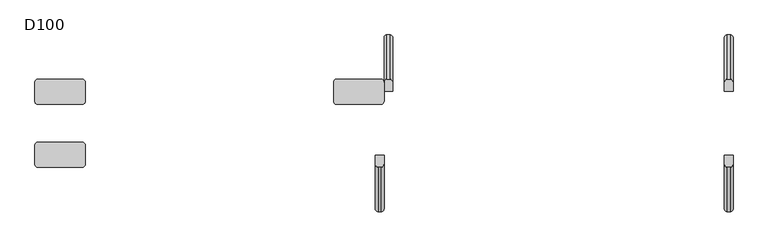
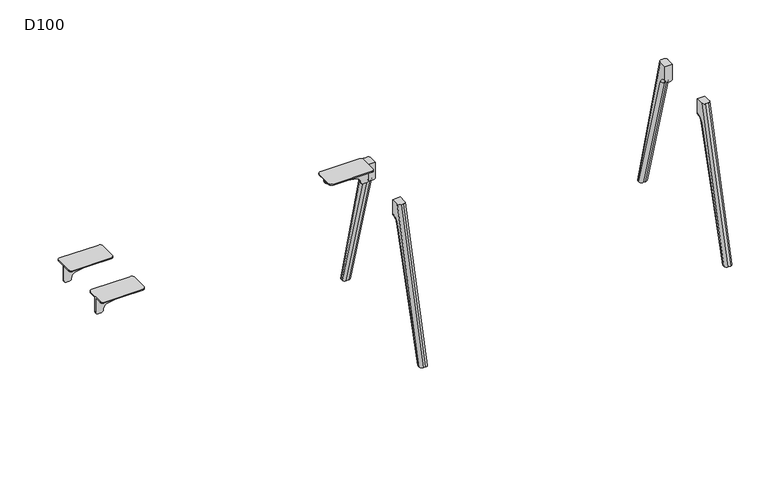
"""IFC4 building model written with IfcOpenShell, lengths in millimetres: furniture geometry, D100."""

from ifc_helpers import new_model, si_unit, point, frame, origin, place, context, project, spatial, polyline, circle_curve, ellipse_curve, trimmed, source, transform, mapped, element, save
from ifc_brep_helpers import plane_surface, cylinder_surface, revolved_surface, advanced_brep


def d100_6f4530dd(model_context):
    return source(origin(), model_context, "Body", "AdvancedBrep", [
        advanced_brep(
        [(-69.7259826, 165.2234902, 821.5334099), (-243.5086325, 165.2234902, 852.5006338), (-260.0, 165.2234902, 872.1904661), (-260.0, 165.2234902, 880.0006338), (0.0, 165.2234902, 880.0006338), (0.0, 165.2234902, 791.0006338), (-15.0, 165.2234902, 776.0006338), (-30.0, 165.2234902, 776.0006338), (-44.9963104, 165.2234902, 791.3333097), (-69.7259826, 159.2234902, 821.5334099), (-44.9963104, 159.2234902, 791.3333097), (-30.0, 159.2234902, 776.0006338), (-15.0, 159.2234902, 776.0006338), (0.0, 159.2234902, 791.0006338), (0.0, 159.2234902, 880.0006338), (-260.0, 159.2234902, 880.0006338), (-260.0, 159.2234902, 872.1904661), (-243.5086325, 159.2234902, 852.5006338), (0.0, 113.2234902, 886.0006338), (0.0, 113.2234902, 880.0006338), (0.0, 211.2234902, 880.0006338), (0.0, 211.2234902, 886.0006338), (-16.0, 227.2234902, 886.0006338), (-244.0, 227.2234902, 886.0006338), (-260.0, 211.2234902, 886.0006338), (-260.0, 113.2234902, 886.0006338), (-244.0, 97.2234902, 886.0006338), (-16.0, 97.2234902, 886.0006338), (-260.0, 211.2234902, 880.0006338), (-260.0, 113.2234902, 880.0006338), (-16.0, 97.2234902, 880.0006338), (-244.0, 97.2234902, 880.0006338), (-244.0, 227.2234902, 880.0006338), (-16.0, 227.2234902, 880.0006338)],
        [
            (0, 1),
            (1, 2, circle_curve(frame((-240.0, 165.2234902, 872.1904661), z_axis=(0.0, 1.0, 0.0), x_axis=(1.0, 0.0, 0.0)), 20.0)),
            (2, 3),
            (3, 4),
            (4, 5),
            (5, 6, circle_curve(frame((-15.0, 165.2234902, 791.0006338), z_axis=(0.0, 1.0, 0.0), x_axis=(1.0, 0.0, 0.0)), 15.0)),
            (6, 7),
            (7, 8, circle_curve(frame((-30.0, 165.2234902, 791.0006338), z_axis=(0.0, 1.0, 0.0), x_axis=(1.0, 0.0, 0.0)), 15.0)),
            (8, 0, circle_curve(frame((-74.9889313, 165.2234902, 791.9986614), z_axis=(0.0, -1.0, 0.0), x_axis=(1.0, 0.0, 0.0)), 30.0)),
            (9, 10, circle_curve(frame((-74.9889313, 159.2234902, 791.9986614), z_axis=(0.0, 1.0, 0.0), x_axis=(1.0, 0.0, 0.0)), 30.0)),
            (10, 11, circle_curve(frame((-30.0, 159.2234902, 791.0006338), z_axis=(0.0, -1.0, 0.0), x_axis=(1.0, 0.0, 0.0)), 15.0)),
            (11, 12),
            (12, 13, circle_curve(frame((-15.0, 159.2234902, 791.0006338), z_axis=(0.0, -1.0, 0.0), x_axis=(1.0, 0.0, 0.0)), 15.0)),
            (13, 14),
            (14, 15),
            (15, 16),
            (16, 17, circle_curve(frame((-240.0, 159.2234902, 872.1904661), z_axis=(0.0, -1.0, 0.0), x_axis=(1.0, 0.0, 0.0)), 20.0)),
            (17, 9),
            (8, 10),
            (9, 0),
            (18, 19),
            (19, 14),
            (13, 5),
            (4, 20),
            (20, 21),
            (21, 18),
            (21, 22, circle_curve(frame((-16.0, 211.2234902, 886.0006338), z_axis=(0.0, 0.0, 1.0), x_axis=(-1.0, 0.0, 0.0)), 16.0)),
            (22, 23),
            (23, 24, circle_curve(frame((-244.0, 211.2234902, 886.0006338), z_axis=(0.0, 0.0, 1.0), x_axis=(-1.0, 0.0, 0.0)), 16.0)),
            (24, 25),
            (25, 26, circle_curve(frame((-244.0, 113.2234902, 886.0006338), z_axis=(0.0, 0.0, 1.0), x_axis=(-1.0, 0.0, 0.0)), 16.0)),
            (26, 27),
            (27, 18, circle_curve(frame((-16.0, 113.2234902, 886.0006338), z_axis=(0.0, 0.0, 1.0), x_axis=(-1.0, 0.0, 0.0)), 16.0)),
            (24, 28),
            (28, 3),
            (2, 16),
            (15, 29),
            (29, 25),
            (1, 17),
            (7, 11),
            (6, 12),
            (30, 31),
            (31, 29, circle_curve(frame((-244.0, 113.2234902, 880.0006338), z_axis=(0.0, 0.0, -1.0), x_axis=(-1.0, 0.0, 0.0)), 16.0)),
            (19, 30, circle_curve(frame((-16.0, 113.2234902, 880.0006338), z_axis=(0.0, 0.0, -1.0), x_axis=(-1.0, 0.0, 0.0)), 16.0)),
            (28, 32, circle_curve(frame((-244.0, 211.2234902, 880.0006338), z_axis=(0.0, 0.0, -1.0), x_axis=(-1.0, 0.0, 0.0)), 16.0)),
            (32, 33),
            (33, 20, circle_curve(frame((-16.0, 211.2234902, 880.0006338), z_axis=(0.0, 0.0, -1.0), x_axis=(-1.0, 0.0, 0.0)), 16.0)),
            (27, 30),
            (33, 22),
            (32, 23),
            (31, 26),
        ],
        [
            plane_surface(frame((-243.5086325, 165.2234902, 852.5006338), z_axis=(0.0, 1.0000000000000002, 0.0), x_axis=(-0.9844916178685641, 0.0, 0.175431622994651))),
            plane_surface(frame((-243.5086325, 159.2234902, 852.5006338), z_axis=(0.0, -1.0000000000000002, 0.0), x_axis=(0.9844916178685641, 0.0, -0.175431622994651))),
            revolved_surface(polyline([(-44.988931300000004, 159.2234902, 791.9986614), (-44.988931300000004, 165.2234902, 791.9986614)]), (-74.9889313, 159.2234902, 791.9986614), (0.0, -1.0, 0.0)),
            plane_surface(frame((0.0, 165.2234902, 886.0006338), z_axis=(1.0, 0.0, 0.0), x_axis=(0.0, -1.0, 0.0))),
            plane_surface(frame((-260.0, 165.2234902, 886.0006338), z_axis=(0.0, 0.0, 1.0), x_axis=(0.0, -1.0, 0.0))),
            plane_surface(frame((-260.0, 165.2234902, 872.1904661), z_axis=(-1.0, 0.0, 0.0), x_axis=(0.0, -1.0, 0.0))),
            cylinder_surface(frame((-240.0, 159.2234902, 872.1904661), z_axis=(0.0, 1.0, 0.0), x_axis=(1.0, 0.0, 0.0)), 20.0),
            plane_surface(frame((-69.7259826, 165.2234902, 821.5334099), z_axis=(-0.175431622994651, 0.0, -0.9844916178685641), x_axis=(0.0, -1.0, 0.0))),
            cylinder_surface(frame((-30.0, 159.2234902, 791.0006338), z_axis=(0.0, 1.0, 0.0), x_axis=(1.0, 0.0, 0.0)), 15.0),
            plane_surface(frame((-15.0, 165.2234902, 776.0006338), z_axis=(0.0, 0.0, -1.0), x_axis=(0.0, -1.0, 0.0))),
            cylinder_surface(frame((-15.0, 159.2234902, 791.0006338), z_axis=(0.0, 1.0, 0.0), x_axis=(1.0, 0.0, 0.0)), 15.0),
            plane_surface(frame((-32.0, 113.2234902, 880.0006338), z_axis=(0.0, 0.0, -1.0), x_axis=(0.0, 1.0, 0.0))),
            cylinder_surface(frame((-16.0, 113.2234902, 880.0006338), z_axis=(0.0, 0.0, 1.0), x_axis=(-1.0, 0.0, 0.0)), 16.0),
            cylinder_surface(frame((-16.0, 211.2234902, 880.0006338), z_axis=(0.0, 0.0, 1.0), x_axis=(-1.0, 0.0, 0.0)), 16.0),
            plane_surface(frame((-16.0, 227.2234902, 886.0006338), z_axis=(0.0, 1.0, 0.0), x_axis=(0.0, 0.0, -1.0))),
            cylinder_surface(frame((-244.0, 211.2234902, 880.0006338), z_axis=(0.0, 0.0, 1.0), x_axis=(-1.0, 0.0, 0.0)), 16.0),
            cylinder_surface(frame((-244.0, 113.2234902, 880.0006338), z_axis=(0.0, 0.0, 1.0), x_axis=(-1.0, 0.0, 0.0)), 16.0),
            plane_surface(frame((-244.0, 97.2234902, 886.0006338), z_axis=(0.0, -1.0, 0.0), x_axis=(0.0, 0.0, -1.0))),
        ],
        [
            (0, [[1, 2, 3, 4, 5, 6, 7, 8, 9]]),
            (1, [[10, 11, 12, 13, 14, 15, 16, 17, 18]]),
            (2, [[-9, 19, -10, 20]]),
            (3, [[21, 22, -14, 23, -5, 24, 25, 26]]),
            (4, [[-26, 27, 28, 29, 30, 31, 32, 33]]),
            (5, [[-30, 34, 35, -3, 36, -16, 37, 38]]),
            (6, [[-2, 39, -17, -36]]),
            (7, [[-1, -20, -18, -39]]),
            (8, [[-8, 40, -11, -19]]),
            (9, [[-7, 41, -12, -40]]),
            (10, [[-6, -23, -13, -41]]),
            (11, [[42, 43, -37, -15, -22, 44]]),
            (11, [[45, 46, 47, -24, -4, -35]]),
            (12, [[-33, 48, -44, -21]]),
            (13, [[-27, -25, -47, 49]]),
            (14, [[-28, -49, -46, 50]]),
            (15, [[-29, -50, -45, -34]]),
            (16, [[-31, -38, -43, 51]]),
            (17, [[-32, -51, -42, -48]]),
        ],
    ),
        advanced_brep(
        [(-1729.2740174, -165.2234902, 821.5334099), (-1555.4913675, -165.2234902, 852.5006338), (-1539.0, -165.2234902, 872.1904661), (-1539.0, -165.2234902, 880.0006338), (-1799.0, -165.2234902, 880.0006338), (-1799.0, -165.2234902, 791.0006338), (-1784.0, -165.2234902, 776.0006338), (-1769.0, -165.2234902, 776.0006338), (-1754.0036896, -165.2234902, 791.3333097), (-1729.2740174, -159.2234902, 821.5334099), (-1754.0036896, -159.2234902, 791.3333097), (-1769.0, -159.2234902, 776.0006338), (-1784.0, -159.2234902, 776.0006338), (-1799.0, -159.2234902, 791.0006338), (-1799.0, -159.2234902, 880.0006338), (-1539.0, -159.2234902, 880.0006338), (-1539.0, -159.2234902, 872.1904661), (-1555.4913675, -159.2234902, 852.5006338), (-1799.0, -113.2234902, 886.0006338), (-1799.0, -113.2234902, 880.0006338), (-1799.0, -211.2234902, 880.0006338), (-1799.0, -211.2234902, 886.0006338), (-1783.0, -227.2234902, 886.0006338), (-1555.0, -227.2234902, 886.0006338), (-1539.0, -211.2234902, 886.0006338), (-1539.0, -113.2234902, 886.0006338), (-1555.0, -97.2234902, 886.0006338), (-1783.0, -97.2234902, 886.0006338), (-1539.0, -211.2234902, 880.0006338), (-1539.0, -113.2234902, 880.0006338), (-1783.0, -97.2234902, 880.0006338), (-1555.0, -97.2234902, 880.0006338), (-1555.0, -227.2234902, 880.0006338), (-1783.0, -227.2234902, 880.0006338)],
        [
            (0, 1),
            (1, 2, circle_curve(frame((-1559.0, -165.2234902, 872.1904661), z_axis=(0.0, -1.0, 0.0), x_axis=(-1.0, 0.0, 0.0)), 20.0)),
            (2, 3),
            (3, 4),
            (4, 5),
            (5, 6, circle_curve(frame((-1784.0, -165.2234902, 791.0006338), z_axis=(0.0, -1.0, 0.0), x_axis=(-1.0, 0.0, 0.0)), 15.0)),
            (6, 7),
            (7, 8, circle_curve(frame((-1769.0, -165.2234902, 791.0006338), z_axis=(0.0, -1.0, 0.0), x_axis=(-1.0, 0.0, 0.0)), 15.0)),
            (8, 0, circle_curve(frame((-1724.0110687, -165.2234902, 791.9986614), z_axis=(0.0, 1.0, 0.0), x_axis=(-1.0, 0.0, 0.0)), 30.0)),
            (9, 10, circle_curve(frame((-1724.0110687, -159.2234902, 791.9986614), z_axis=(0.0, -1.0, 0.0), x_axis=(-1.0, 0.0, 0.0)), 30.0)),
            (10, 11, circle_curve(frame((-1769.0, -159.2234902, 791.0006338), z_axis=(0.0, 1.0, 0.0), x_axis=(-1.0, 0.0, 0.0)), 15.0)),
            (11, 12),
            (12, 13, circle_curve(frame((-1784.0, -159.2234902, 791.0006338), z_axis=(0.0, 1.0, 0.0), x_axis=(-1.0, 0.0, 0.0)), 15.0)),
            (13, 14),
            (14, 15),
            (15, 16),
            (16, 17, circle_curve(frame((-1559.0, -159.2234902, 872.1904661), z_axis=(0.0, 1.0, 0.0), x_axis=(-1.0, 0.0, 0.0)), 20.0)),
            (17, 9),
            (8, 10),
            (9, 0),
            (18, 19),
            (19, 14),
            (13, 5),
            (4, 20),
            (20, 21),
            (21, 18),
            (21, 22, circle_curve(frame((-1783.0, -211.2234902, 886.0006338), z_axis=(0.0, 0.0, 1.0), x_axis=(1.0, 0.0, 0.0)), 16.0)),
            (22, 23),
            (23, 24, circle_curve(frame((-1555.0, -211.2234902, 886.0006338), z_axis=(0.0, 0.0, 1.0), x_axis=(1.0, 0.0, 0.0)), 16.0)),
            (24, 25),
            (25, 26, circle_curve(frame((-1555.0, -113.2234902, 886.0006338), z_axis=(0.0, 0.0, 1.0), x_axis=(1.0, 0.0, 0.0)), 16.0)),
            (26, 27),
            (27, 18, circle_curve(frame((-1783.0, -113.2234902, 886.0006338), z_axis=(0.0, 0.0, 1.0), x_axis=(1.0, 0.0, 0.0)), 16.0)),
            (24, 28),
            (28, 3),
            (2, 16),
            (15, 29),
            (29, 25),
            (1, 17),
            (7, 11),
            (6, 12),
            (30, 31),
            (31, 29, circle_curve(frame((-1555.0, -113.2234902, 880.0006338), z_axis=(0.0, 0.0, -1.0), x_axis=(1.0, 0.0, 0.0)), 16.0)),
            (19, 30, circle_curve(frame((-1783.0, -113.2234902, 880.0006338), z_axis=(0.0, 0.0, -1.0), x_axis=(1.0, 0.0, 0.0)), 16.0)),
            (28, 32, circle_curve(frame((-1555.0, -211.2234902, 880.0006338), z_axis=(0.0, 0.0, -1.0), x_axis=(1.0, 0.0, 0.0)), 16.0)),
            (32, 33),
            (33, 20, circle_curve(frame((-1783.0, -211.2234902, 880.0006338), z_axis=(0.0, 0.0, -1.0), x_axis=(1.0, 0.0, 0.0)), 16.0)),
            (27, 30),
            (33, 22),
            (32, 23),
            (31, 26),
        ],
        [
            plane_surface(frame((-1555.4913675, -165.2234902, 852.5006338), z_axis=(0.0, -1.0, 0.0), x_axis=(0.9844916178685639, 0.0, 0.17543162299465165))),
            plane_surface(frame((-1555.4913675, -159.2234902, 852.5006338), z_axis=(0.0, 1.0, 0.0), x_axis=(-0.9844916178685639, 0.0, -0.17543162299465165))),
            revolved_surface(polyline([(-1754.0110687, -159.2234902, 791.9986614), (-1754.0110687, -165.2234902, 791.9986614)]), (-1724.0110687, -159.2234902, 791.9986614), (0.0, 1.0, 0.0)),
            plane_surface(frame((-1799.0, -165.2234902, 886.0006338), z_axis=(-1.0, 0.0, 0.0), x_axis=(0.0, 1.0, 0.0))),
            plane_surface(frame((-1539.0, -165.2234902, 886.0006338), z_axis=(0.0, 0.0, 1.0), x_axis=(0.0, 1.0, 0.0))),
            plane_surface(frame((-1539.0, -165.2234902, 872.1904661), z_axis=(1.0, 0.0, 0.0), x_axis=(0.0, 1.0, 0.0))),
            cylinder_surface(frame((-1559.0, -159.2234902, 872.1904661), z_axis=(0.0, -1.0, 0.0), x_axis=(-1.0, 0.0, 0.0)), 20.0),
            plane_surface(frame((-1729.2740174, -165.2234902, 821.5334099), z_axis=(0.17543162299465165, 0.0, -0.9844916178685639), x_axis=(0.0, 1.0, 0.0))),
            cylinder_surface(frame((-1769.0, -159.2234902, 791.0006338), z_axis=(0.0, -1.0, 0.0), x_axis=(-1.0, 0.0, 0.0)), 15.0),
            plane_surface(frame((-1784.0, -165.2234902, 776.0006338), z_axis=(0.0, 0.0, -1.0), x_axis=(0.0, 1.0, 0.0))),
            cylinder_surface(frame((-1784.0, -159.2234902, 791.0006338), z_axis=(0.0, -1.0, 0.0), x_axis=(-1.0, 0.0, 0.0)), 15.0),
            plane_surface(frame((-1767.0, -113.2234902, 880.0006338), z_axis=(0.0, 0.0, -1.0), x_axis=(0.0, -1.0, 0.0))),
            cylinder_surface(frame((-1783.0, -113.2234902, 880.0006338), z_axis=(0.0, 0.0, 1.0), x_axis=(1.0, 0.0, 0.0)), 16.0),
            cylinder_surface(frame((-1783.0, -211.2234902, 880.0006338), z_axis=(0.0, 0.0, 1.0), x_axis=(1.0, 0.0, 0.0)), 16.0),
            plane_surface(frame((-1783.0, -227.2234902, 886.0006338), z_axis=(0.0, -1.0, 0.0), x_axis=(0.0, 0.0, -1.0))),
            cylinder_surface(frame((-1555.0, -211.2234902, 880.0006338), z_axis=(0.0, 0.0, 1.0), x_axis=(1.0, 0.0, 0.0)), 16.0),
            cylinder_surface(frame((-1555.0, -113.2234902, 880.0006338), z_axis=(0.0, 0.0, 1.0), x_axis=(1.0, 0.0, 0.0)), 16.0),
            plane_surface(frame((-1555.0, -97.2234902, 886.0006338), z_axis=(0.0, 1.0, 0.0), x_axis=(0.0, 0.0, -1.0))),
        ],
        [
            (0, [[1, 2, 3, 4, 5, 6, 7, 8, 9]]),
            (1, [[10, 11, 12, 13, 14, 15, 16, 17, 18]]),
            (2, [[-9, 19, -10, 20]]),
            (3, [[21, 22, -14, 23, -5, 24, 25, 26]]),
            (4, [[-26, 27, 28, 29, 30, 31, 32, 33]]),
            (5, [[-30, 34, 35, -3, 36, -16, 37, 38]]),
            (6, [[-2, 39, -17, -36]]),
            (7, [[-1, -20, -18, -39]]),
            (8, [[-8, 40, -11, -19]]),
            (9, [[-7, 41, -12, -40]]),
            (10, [[-6, -23, -13, -41]]),
            (11, [[42, 43, -37, -15, -22, 44]]),
            (11, [[45, 46, 47, -24, -4, -35]]),
            (12, [[-33, 48, -44, -21]]),
            (13, [[-27, -25, -47, 49]]),
            (14, [[-28, -49, -46, 50]]),
            (15, [[-29, -50, -45, -34]]),
            (16, [[-31, -38, -43, 51]]),
            (17, [[-32, -51, -42, -48]]),
        ],
    ),
        advanced_brep(
        [(-1729.2740174, 165.2234902, 821.5334099), (-1754.0036896, 165.2234902, 791.3333097), (-1769.0, 165.2234902, 776.0006338), (-1784.0, 165.2234902, 776.0006338), (-1799.0, 165.2234902, 791.0006338), (-1799.0, 165.2234902, 880.0006338), (-1539.0, 165.2234902, 880.0006338), (-1539.0, 165.2234902, 872.1904661), (-1555.4913675, 165.2234902, 852.5006338), (-1729.2740174, 159.2234902, 821.5334099), (-1555.4913675, 159.2234902, 852.5006338), (-1539.0, 159.2234902, 872.1904661), (-1539.0, 159.2234902, 880.0006338), (-1799.0, 159.2234902, 880.0006338), (-1799.0, 159.2234902, 791.0006338), (-1784.0, 159.2234902, 776.0006338), (-1769.0, 159.2234902, 776.0006338), (-1754.0036896, 159.2234902, 791.3333097), (-1799.0, 113.2234902, 880.0006338), (-1799.0, 113.2234902, 886.0006338), (-1799.0, 211.2234902, 886.0006338), (-1799.0, 211.2234902, 880.0006338), (-1783.0, 97.2234902, 886.0006338), (-1555.0, 97.2234902, 886.0006338), (-1539.0, 113.2234902, 886.0006338), (-1539.0, 211.2234902, 886.0006338), (-1555.0, 227.2234902, 886.0006338), (-1783.0, 227.2234902, 886.0006338), (-1539.0, 113.2234902, 880.0006338), (-1539.0, 211.2234902, 880.0006338), (-1783.0, 97.2234902, 880.0006338), (-1555.0, 97.2234902, 880.0006338), (-1783.0, 227.2234902, 880.0006338), (-1555.0, 227.2234902, 880.0006338)],
        [
            (0, 1, circle_curve(frame((-1724.0110687, 165.2234902, 791.9986614), z_axis=(0.0, -1.0, 0.0), x_axis=(-1.0, 0.0, 0.0)), 30.0)),
            (1, 2, circle_curve(frame((-1769.0, 165.2234902, 791.0006338), z_axis=(0.0, 1.0, 0.0), x_axis=(-1.0, 0.0, 0.0)), 15.0)),
            (2, 3),
            (3, 4, circle_curve(frame((-1784.0, 165.2234902, 791.0006338), z_axis=(0.0, 1.0, 0.0), x_axis=(-1.0, 0.0, 0.0)), 15.0)),
            (4, 5),
            (5, 6),
            (6, 7),
            (7, 8, circle_curve(frame((-1559.0, 165.2234902, 872.1904661), z_axis=(0.0, 1.0, 0.0), x_axis=(-1.0, 0.0, 0.0)), 20.0)),
            (8, 0),
            (9, 10),
            (10, 11, circle_curve(frame((-1559.0, 159.2234902, 872.1904661), z_axis=(0.0, -1.0, 0.0), x_axis=(-1.0, 0.0, 0.0)), 20.0)),
            (11, 12),
            (12, 13),
            (13, 14),
            (14, 15, circle_curve(frame((-1784.0, 159.2234902, 791.0006338), z_axis=(0.0, -1.0, 0.0), x_axis=(-1.0, 0.0, 0.0)), 15.0)),
            (15, 16),
            (16, 17, circle_curve(frame((-1769.0, 159.2234902, 791.0006338), z_axis=(0.0, -1.0, 0.0), x_axis=(-1.0, 0.0, 0.0)), 15.0)),
            (17, 9, circle_curve(frame((-1724.0110687, 159.2234902, 791.9986614), z_axis=(0.0, 1.0, 0.0), x_axis=(-1.0, 0.0, 0.0)), 30.0)),
            (0, 9),
            (17, 1),
            (4, 14),
            (13, 18),
            (18, 19),
            (19, 20),
            (20, 21),
            (21, 5),
            (19, 22, circle_curve(frame((-1783.0, 113.2234902, 886.0006338), z_axis=(0.0, 0.0, 1.0), x_axis=(1.0, 0.0, 0.0)), 16.0)),
            (22, 23),
            (23, 24, circle_curve(frame((-1555.0, 113.2234902, 886.0006338), z_axis=(0.0, 0.0, 1.0), x_axis=(1.0, 0.0, 0.0)), 16.0)),
            (24, 25),
            (25, 26, circle_curve(frame((-1555.0, 211.2234902, 886.0006338), z_axis=(0.0, 0.0, 1.0), x_axis=(1.0, 0.0, 0.0)), 16.0)),
            (26, 27),
            (27, 20, circle_curve(frame((-1783.0, 211.2234902, 886.0006338), z_axis=(0.0, 0.0, 1.0), x_axis=(1.0, 0.0, 0.0)), 16.0)),
            (24, 28),
            (28, 12),
            (11, 7),
            (6, 29),
            (29, 25),
            (10, 8),
            (16, 2),
            (15, 3),
            (30, 18, circle_curve(frame((-1783.0, 113.2234902, 880.0006338), z_axis=(0.0, 0.0, -1.0), x_axis=(1.0, 0.0, 0.0)), 16.0)),
            (28, 31, circle_curve(frame((-1555.0, 113.2234902, 880.0006338), z_axis=(0.0, 0.0, -1.0), x_axis=(1.0, 0.0, 0.0)), 16.0)),
            (31, 30),
            (21, 32, circle_curve(frame((-1783.0, 211.2234902, 880.0006338), z_axis=(0.0, 0.0, -1.0), x_axis=(1.0, 0.0, 0.0)), 16.0)),
            (32, 33),
            (33, 29, circle_curve(frame((-1555.0, 211.2234902, 880.0006338), z_axis=(0.0, 0.0, -1.0), x_axis=(1.0, 0.0, 0.0)), 16.0)),
            (30, 22),
            (27, 32),
            (26, 33),
            (23, 31),
        ],
        [
            plane_surface(frame((-1754.0110687, 165.2234902, 791.9986614), z_axis=(0.0, 1.0, 0.0), x_axis=(0.0, 0.0, -1.0))),
            plane_surface(frame((-1754.0110687, 159.2234902, 791.9986614), z_axis=(0.0, -1.0, 0.0), x_axis=(0.0, 0.0, 1.0))),
            revolved_surface(polyline([(-1754.0110687, 159.2234902, 791.9986614), (-1754.0110687, 165.2234902, 791.9986614)]), (-1724.0110687, 159.2234902, 791.9986614), (0.0, -1.0, 0.0)),
            plane_surface(frame((-1799.0, 165.2234902, 791.0006338), z_axis=(-1.0, 0.0, 0.0), x_axis=(0.0, -1.0, 0.0))),
            plane_surface(frame((-1799.0, 165.2234902, 886.0006338), z_axis=(0.0, 0.0, 1.0), x_axis=(0.0, -1.0, 0.0))),
            plane_surface(frame((-1539.0, 165.2234902, 886.0006338), z_axis=(1.0, 0.0, 0.0), x_axis=(0.0, -1.0, 0.0))),
            cylinder_surface(frame((-1559.0, 159.2234902, 872.1904661), z_axis=(0.0, 1.0, 0.0), x_axis=(-1.0, 0.0, 0.0)), 20.0),
            plane_surface(frame((-1555.4913675, 165.2234902, 852.5006338), z_axis=(0.17543162299465118, 0.0, -0.984491617868564), x_axis=(0.0, -1.0, 0.0))),
            cylinder_surface(frame((-1769.0, 159.2234902, 791.0006338), z_axis=(0.0, 1.0, 0.0), x_axis=(-1.0, 0.0, 0.0)), 15.0),
            plane_surface(frame((-1769.0, 165.2234902, 776.0006338), z_axis=(0.0, 0.0, -1.0), x_axis=(0.0, -1.0, 0.0))),
            cylinder_surface(frame((-1784.0, 159.2234902, 791.0006338), z_axis=(0.0, 1.0, 0.0), x_axis=(-1.0, 0.0, 0.0)), 15.0),
            plane_surface(frame((-1555.0, 97.2234902, 880.0006338), z_axis=(0.0, 0.0, -1.0), x_axis=(-1.0, 0.0, 0.0))),
            cylinder_surface(frame((-1783.0, 113.2234902, 880.0006338), z_axis=(0.0, 0.0, 1.0), x_axis=(1.0, 0.0, 0.0)), 16.0),
            cylinder_surface(frame((-1783.0, 211.2234902, 880.0006338), z_axis=(0.0, 0.0, 1.0), x_axis=(1.0, 0.0, 0.0)), 16.0),
            plane_surface(frame((-1555.0, 227.2234902, 886.0006338), z_axis=(0.0, 1.0, 0.0), x_axis=(0.0, 0.0, -1.0))),
            cylinder_surface(frame((-1555.0, 211.2234902, 880.0006338), z_axis=(0.0, 0.0, 1.0), x_axis=(1.0, 0.0, 0.0)), 16.0),
            cylinder_surface(frame((-1555.0, 113.2234902, 880.0006338), z_axis=(0.0, 0.0, 1.0), x_axis=(1.0, 0.0, 0.0)), 16.0),
            plane_surface(frame((-1783.0, 97.2234902, 886.0006338), z_axis=(0.0, -1.0, 0.0), x_axis=(0.0, 0.0, -1.0))),
        ],
        [
            (0, [[1, 2, 3, 4, 5, 6, 7, 8, 9]]),
            (1, [[10, 11, 12, 13, 14, 15, 16, 17, 18]]),
            (2, [[-1, 19, -18, 20]]),
            (3, [[21, -14, 22, 23, 24, 25, 26, -5]]),
            (4, [[-24, 27, 28, 29, 30, 31, 32, 33]]),
            (5, [[-30, 34, 35, -12, 36, -7, 37, 38]]),
            (6, [[-8, -36, -11, 39]]),
            (7, [[-9, -39, -10, -19]]),
            (8, [[-2, -20, -17, 40]]),
            (9, [[-3, -40, -16, 41]]),
            (10, [[-4, -41, -15, -21]]),
            (11, [[42, -22, -13, -35, 43, 44]]),
            (11, [[45, 46, 47, -37, -6, -26]]),
            (12, [[-27, -23, -42, 48]]),
            (13, [[-33, 49, -45, -25]]),
            (14, [[-32, 50, -46, -49]]),
            (15, [[-31, -38, -47, -50]]),
            (16, [[-29, 51, -43, -34]]),
            (17, [[-28, -48, -44, -51]]),
        ],
    ),
        advanced_brep(
        [(1784.0, -196.7124504, 753.5883612), (1799.0, -211.1253977, 757.7437132), (1799.0, -429.58813, 0.0), (1784.0, -413.9771661, 0.0), (1754.0, -211.1253977, 757.7437132), (1769.0, -196.7124504, 753.5883612), (1769.0, -413.9771661, 0.0), (1754.0, -429.58813, 0.0), (1799.0, -166.9256926, 791.0006338), (1784.0, -166.9256926, 776.0006338), (1784.0, -165.2234902, 776.0006338), (1799.0, -165.2234902, 791.0006338), (1769.0, -166.9256926, 776.0006338), (1754.0, -166.9256926, 791.0006338), (1754.0, -165.2234902, 791.0006338), (1769.0, -165.2234902, 776.0006338), (1754.0, -165.2234902, 880.0006338), (1754.0, -439.8031746, 0.0), (1754.0, -211.7278851, 880.0006338), (1799.0, -165.2234902, 880.0006338), (1799.0, -211.7278851, 880.0006338), (1799.0, -439.8031746, 0.0), (1784.0, -455.2987797, 0.0), (1769.0, -455.2987797, 0.0), (1784.0, -227.2234902, 880.0006338), (1769.0, -227.2234902, 880.0006338)],
        [
            (0, 1, circle_curve(frame((1784.0, -211.1253977, 757.7437132), z_axis=(0.0, -0.2770234661368847, -0.9608631532166827), x_axis=(0.0, 0.9608631532166827, -0.2770234661368847)), 15.0)),
            (1, 2),
            (2, 3, ellipse_curve(frame((1784.0, -429.58813, 0.0), z_axis=(0.0, 0.0, 1.0), x_axis=(0.0, 1.0, 0.0)), 15.6109639, 15.0)),
            (3, 0),
            (4, 5, circle_curve(frame((1769.0, -211.1253977, 757.7437132), z_axis=(0.0, -0.2770234661368847, -0.9608631532166827), x_axis=(0.0, 0.9608631532166827, -0.2770234661368847)), 15.0)),
            (5, 6),
            (6, 7, ellipse_curve(frame((1769.0, -429.58813, 0.0), z_axis=(0.0, 0.0, 1.0), x_axis=(0.0, 1.0, 0.0)), 15.6109639, 15.0)),
            (7, 4),
            (8, 9, circle_curve(frame((1784.0, -166.9256926, 791.0006338), z_axis=(0.0, 1.0, 0.0), x_axis=(0.0, 0.0, -1.0)), 15.0)),
            (9, 10),
            (10, 11, circle_curve(frame((1784.0, -165.2234902, 791.0006338), z_axis=(0.0, -1.0, 0.0), x_axis=(0.0, 0.0, -1.0)), 15.0)),
            (11, 8),
            (12, 13, circle_curve(frame((1769.0, -166.9256926, 791.0006338), z_axis=(0.0, 1.0, 0.0), x_axis=(0.0, 0.0, -1.0)), 15.0)),
            (13, 14),
            (14, 15, circle_curve(frame((1769.0, -165.2234902, 791.0006338), z_axis=(0.0, -1.0, 0.0), x_axis=(0.0, 0.0, -1.0)), 15.0)),
            (15, 12),
            (0, 9, circle_curve(frame((1784.0, -166.9256926, 745.0006338), z_axis=(-1.0, 0.0, 0.0), x_axis=(0.0, -0.9608631532166849, 0.2770234661368772)), 31.0)),
            (8, 1, circle_curve(frame((1799.0, -166.9256926, 745.0006338), z_axis=(1.0, 0.0, 0.0), x_axis=(0.0, -0.9608631532166849, 0.2770234661368772)), 46.0)),
            (4, 13, circle_curve(frame((1754.0, -166.9256926, 745.0006338), z_axis=(-1.0, 0.0, 0.0), x_axis=(0.0, -0.9608631532166849, 0.2770234661368772)), 46.0)),
            (12, 5, circle_curve(frame((1769.0, -166.9256926, 745.0006338), z_axis=(1.0, 0.0, 0.0), x_axis=(0.0, -0.9608631532166849, 0.2770234661368772)), 31.0)),
            (16, 14),
            (7, 17),
            (17, 18),
            (18, 16),
            (11, 19),
            (19, 20),
            (20, 21),
            (21, 2),
            (5, 0),
            (3, 6),
            (21, 22, ellipse_curve(frame((1784.0, -439.8031746, 0.0), z_axis=(0.0, 0.0, -1.0), x_axis=(0.0, 1.0, 0.0)), 15.4956051, 15.0)),
            (22, 23),
            (23, 17, ellipse_curve(frame((1769.0, -439.8031746, 0.0), z_axis=(0.0, 0.0, -1.0), x_axis=(0.0, 1.0, 0.0)), 15.4956051, 15.0)),
            (22, 24),
            (24, 25),
            (25, 23),
            (19, 16),
            (18, 25, ellipse_curve(frame((1769.0, -211.7278851, 880.0006338), z_axis=(0.0, 0.0, 1.0), x_axis=(0.0, 1.0, 0.0)), 15.4956051, 15.0)),
            (24, 20, ellipse_curve(frame((1784.0, -211.7278851, 880.0006338), z_axis=(0.0, 0.0, 1.0), x_axis=(0.0, 1.0, 0.0)), 15.4956051, 15.0)),
            (10, 15),
            (9, 12),
        ],
        [
            cylinder_surface(frame((1784.0, -448.1062889, -64.2307193), z_axis=(0.0, 0.2770234661368847, 0.9608631532166827), x_axis=(0.0, 0.9608631532166827, -0.2770234661368847)), 15.0),
            cylinder_surface(frame((1769.0, -448.1062889, -64.2307193), z_axis=(0.0, 0.2770234661368847, 0.9608631532166827), x_axis=(0.0, 0.9608631532166827, -0.2770234661368847)), 15.0),
            cylinder_surface(frame((1784.0, -166.9256926, 791.0006338), z_axis=(0.0, 1.0, 0.0), x_axis=(0.0, 0.0, -1.0)), 15.0),
            cylinder_surface(frame((1769.0, -166.9256926, 791.0006338), z_axis=(0.0, 1.0, 0.0), x_axis=(0.0, 0.0, -1.0)), 15.0),
            revolved_surface(trimmed(ellipse_curve(frame((1784.0, -211.1253977, 757.7437132), z_axis=(0.0, -0.27702346613687723, -0.9608631532166849), x_axis=(0.0, 0.9608631532166849, -0.27702346613687723)), 15.0, 15.0), [point((1784.0, -196.7124504, 753.5883612))], [point((1799.0, -211.1253977, 757.7437132))], True, "CARTESIAN"), (1017.0, -166.9256926, 745.0006338), (-1.0, 0.0, 0.0)),
            revolved_surface(trimmed(ellipse_curve(frame((1769.0, -211.1253977, 757.7437132), z_axis=(0.0, -0.27702346613687723, -0.9608631532166849), x_axis=(0.0, 0.9608631532166849, -0.27702346613687723)), 15.0, 15.0), [point((1754.0, -211.1253977, 757.7437132))], [point((1769.0, -196.7124504, 753.5883612))], True, "CARTESIAN"), (1017.0, -166.9256926, 745.0006338), (-1.0, 0.0, 0.0)),
            plane_surface(frame((1754.0, -413.4231192, 1.9217263), z_axis=(-1.0000000000000002, 0.0, 0.0), x_axis=(0.0, -0.2770234661368848, -0.9608631532166828))),
            plane_surface(frame((1799.0, -413.4231192, 1.9217263), z_axis=(1.0000000000000002, 0.0, 0.0), x_axis=(0.0, 0.2770234661368848, 0.9608631532166828))),
            plane_surface(frame((1754.0, -196.7124504, 753.5883612), z_axis=(0.0, 0.9608631532166828, -0.2770234661368848), x_axis=(1.0, 0.0, 0.0))),
            plane_surface(frame((1754.0, -413.9771661, 0.0), z_axis=(0.0, 0.0, -1.0), x_axis=(1.0, 0.0, 0.0))),
            plane_surface(frame((1754.0, -455.2987797, 0.0), z_axis=(0.0, -0.9680164090089575, 0.25088689062883046), x_axis=(1.0, 0.0, 0.0))),
            plane_surface(frame((1754.0, -227.2234902, 880.0006338), z_axis=(0.0, 0.0, 1.0), x_axis=(1.0, 0.0, 0.0))),
            plane_surface(frame((1754.0, -165.2234902, 880.0006338), z_axis=(0.0, 1.0, 0.0), x_axis=(1.0, 0.0, 0.0))),
            plane_surface(frame((1754.0, -165.2234902, 776.0006338), z_axis=(0.0, 0.0, -1.0), x_axis=(1.0, 0.0, 0.0))),
            revolved_surface(polyline([(1784.0, -135.9256926, 745.0006338), (1769.0, -135.9256926, 745.0006338)]), (1799.0, -166.9256926, 745.0006338), (1.0, 0.0, 0.0)),
            cylinder_surface(frame((1784.0, -457.7527706, -69.2563225), z_axis=(0.0, 0.25088689062883374, 0.9680164090089567), x_axis=(0.0, 0.9680164090089567, -0.25088689062883374)), 15.0),
            cylinder_surface(frame((1769.0, -457.7527706, -69.2563225), z_axis=(0.0, 0.25088689062883374, 0.9680164090089567), x_axis=(0.0, 0.9680164090089567, -0.25088689062883374)), 15.0),
        ],
        [
            (0, [[1, 2, 3, 4]]),
            (1, [[5, 6, 7, 8]]),
            (2, [[9, 10, 11, 12]]),
            (3, [[13, 14, 15, 16]]),
            (4, [[-1, 17, -9, 18]]),
            (5, [[-5, 19, -13, 20]]),
            (6, [[21, -14, -19, -8, 22, 23, 24]]),
            (7, [[25, 26, 27, 28, -2, -18, -12]]),
            (8, [[29, -4, 30, -6]]),
            (9, [[-30, -3, -28, 31, 32, 33, -22, -7]]),
            (10, [[-32, 34, 35, 36]]),
            (11, [[37, -24, 38, -35, 39, -26]]),
            (12, [[-37, -25, -11, 40, -15, -21]]),
            (13, [[-40, -10, 41, -16]]),
            (14, [[-29, -20, -41, -17]]),
            (15, [[-27, -39, -34, -31]]),
            (16, [[-23, -33, -36, -38]]),
        ],
    ),
        advanced_brep(
        [(1784.0, 166.9256926, 776.0006338), (1799.0, 166.9256926, 791.0006338), (1799.0, 165.2234902, 791.0006338), (1784.0, 165.2234902, 776.0006338), (1754.0, 166.9256926, 791.0006338), (1769.0, 166.9256926, 776.0006338), (1769.0, 165.2234902, 776.0006338), (1754.0, 165.2234902, 791.0006338), (1799.0, 211.1253977, 757.7437132), (1784.0, 196.7124504, 753.5883612), (1784.0, 413.9771661, 0.0), (1799.0, 429.58813, 0.0), (1769.0, 196.7124504, 753.5883612), (1754.0, 211.1253977, 757.7437132), (1754.0, 429.58813, 0.0), (1769.0, 413.9771661, 0.0), (1754.0, 165.2234902, 880.0006338), (1754.0, 211.7278851, 880.0006338), (1754.0, 439.8031746, 0.0), (1799.0, 165.2234902, 880.0006338), (1799.0, 439.8031746, 0.0), (1799.0, 211.7278851, 880.0006338), (1769.0, 455.2987797, 0.0), (1784.0, 455.2987797, 0.0), (1769.0, 227.2234902, 880.0006338), (1784.0, 227.2234902, 880.0006338)],
        [
            (0, 1, circle_curve(frame((1784.0, 166.9256926, 791.0006338), z_axis=(0.0, -1.0, 0.0), x_axis=(0.0, 0.0, -1.0)), 15.0)),
            (1, 2),
            (2, 3, circle_curve(frame((1784.0, 165.2234902, 791.0006338), z_axis=(0.0, 1.0, 0.0), x_axis=(0.0, 0.0, -1.0)), 15.0)),
            (3, 0),
            (4, 5, circle_curve(frame((1769.0, 166.9256926, 791.0006338), z_axis=(0.0, -1.0, 0.0), x_axis=(0.0, 0.0, -1.0)), 15.0)),
            (5, 6),
            (6, 7, circle_curve(frame((1769.0, 165.2234902, 791.0006338), z_axis=(0.0, 1.0, 0.0), x_axis=(0.0, 0.0, -1.0)), 15.0)),
            (7, 4),
            (8, 9, circle_curve(frame((1784.0, 211.1253977, 757.7437132), z_axis=(0.0, 0.277023466136888, -0.9608631532166818), x_axis=(0.0, -0.9608631532166818, -0.277023466136888)), 15.0)),
            (9, 10),
            (10, 11, ellipse_curve(frame((1784.0, 429.58813, 0.0), z_axis=(0.0, 0.0, 1.0), x_axis=(0.0, 1.0, 0.0)), 15.6109639, 15.0)),
            (11, 8),
            (12, 13, circle_curve(frame((1769.0, 211.1253977, 757.7437132), z_axis=(0.0, 0.277023466136888, -0.9608631532166818), x_axis=(0.0, -0.9608631532166818, -0.277023466136888)), 15.0)),
            (13, 14),
            (14, 15, ellipse_curve(frame((1769.0, 429.58813, 0.0), z_axis=(0.0, 0.0, 1.0), x_axis=(0.0, 1.0, 0.0)), 15.6109639, 15.0)),
            (15, 12),
            (0, 9, circle_curve(frame((1784.0, 166.9256926, 745.0006338), z_axis=(-1.0, 0.0, 0.0), x_axis=(0.0, 0.0, 1.0)), 31.0)),
            (8, 1, circle_curve(frame((1799.0, 166.9256926, 745.0006338), z_axis=(1.0, 0.0, 0.0), x_axis=(0.0, 0.0, 1.0)), 46.0)),
            (4, 13, circle_curve(frame((1754.0, 166.9256926, 745.0006338), z_axis=(-1.0, 0.0, 0.0), x_axis=(0.0, 0.0, 1.0)), 46.0)),
            (12, 5, circle_curve(frame((1769.0, 166.9256926, 745.0006338), z_axis=(1.0, 0.0, 0.0), x_axis=(0.0, 0.0, 1.0)), 31.0)),
            (7, 16),
            (16, 17),
            (17, 18),
            (18, 14),
            (19, 2),
            (11, 20),
            (20, 21),
            (21, 19),
            (15, 10),
            (9, 12),
            (18, 22, ellipse_curve(frame((1769.0, 439.8031746, 0.0), z_axis=(0.0, 0.0, -1.0), x_axis=(0.0, -1.0, 0.0)), 15.4956051, 15.0)),
            (22, 23),
            (23, 20, ellipse_curve(frame((1784.0, 439.8031746, 0.0), z_axis=(0.0, 0.0, -1.0), x_axis=(0.0, -1.0, 0.0)), 15.4956051, 15.0)),
            (22, 24),
            (24, 25),
            (25, 23),
            (16, 19),
            (21, 25, ellipse_curve(frame((1784.0, 211.7278851, 880.0006338), z_axis=(0.0, 0.0, 1.0), x_axis=(0.0, -1.0, 0.0)), 15.4956051, 15.0)),
            (24, 17, ellipse_curve(frame((1769.0, 211.7278851, 880.0006338), z_axis=(0.0, 0.0, 1.0), x_axis=(0.0, -1.0, 0.0)), 15.4956051, 15.0)),
            (6, 3),
            (5, 0),
        ],
        [
            cylinder_surface(frame((1784.0, -166.9256926, 791.0006338), z_axis=(0.0, 1.0, 0.0), x_axis=(0.0, 0.0, -1.0)), 15.0),
            cylinder_surface(frame((1769.0, -166.9256926, 791.0006338), z_axis=(0.0, 1.0, 0.0), x_axis=(0.0, 0.0, -1.0)), 15.0),
            cylinder_surface(frame((1784.0, 211.1253977, 757.7437132), z_axis=(0.0, 0.277023466136888, -0.9608631532166818), x_axis=(0.0, -0.9608631532166818, -0.277023466136888)), 15.0),
            cylinder_surface(frame((1769.0, 211.1253977, 757.7437132), z_axis=(0.0, 0.277023466136888, -0.9608631532166818), x_axis=(0.0, -0.9608631532166818, -0.277023466136888)), 15.0),
            revolved_surface(trimmed(ellipse_curve(frame((1784.0, 166.9256926, 791.0006338), z_axis=(0.0, -1.0, 0.0), x_axis=(0.0, 0.0, -1.0)), 15.0, 15.0), [point((1784.0, 166.9256926, 776.0006338))], [point((1799.0, 166.9256926, 791.0006338))], True, "CARTESIAN"), (1017.0, 166.9256926, 745.0006338), (-1.0, 0.0, 0.0)),
            revolved_surface(trimmed(ellipse_curve(frame((1769.0, 166.9256926, 791.0006338), z_axis=(0.0, -1.0, 0.0), x_axis=(0.0, 0.0, -1.0)), 15.0, 15.0), [point((1754.0, 166.9256926, 791.0006338))], [point((1769.0, 166.9256926, 776.0006338))], True, "CARTESIAN"), (1017.0, 166.9256926, 745.0006338), (-1.0, 0.0, 0.0)),
            plane_surface(frame((1754.0, 135.9256926, 745.0006338), z_axis=(-1.0, 0.0, 0.0), x_axis=(0.0, 0.0, -1.0))),
            plane_surface(frame((1799.0, 135.9256926, 745.0006338), z_axis=(1.0, 0.0, 0.0), x_axis=(0.0, 0.0, 1.0))),
            plane_surface(frame((1754.0, 413.9771661, 0.0), z_axis=(0.0, -0.9608631532166828, -0.2770234661368848), x_axis=(1.0, 0.0, 0.0))),
            plane_surface(frame((1754.0, 455.2987797, 0.0), z_axis=(0.0, 0.0, -1.0), x_axis=(1.0, 0.0, 0.0))),
            plane_surface(frame((1754.0, 227.2234902, 880.0006338), z_axis=(0.0, 0.9680164090089575, 0.25088689062883046), x_axis=(1.0, 0.0, 0.0))),
            plane_surface(frame((1754.0, 165.2234902, 880.0006338), z_axis=(0.0, 0.0, 1.0), x_axis=(1.0, 0.0, 0.0))),
            plane_surface(frame((1754.0, 165.2234902, 776.0006338), z_axis=(0.0, -1.0, 0.0), x_axis=(1.0, 0.0, 0.0))),
            plane_surface(frame((1754.0, 166.9256926, 776.0006338), z_axis=(0.0, 0.0, -1.0), x_axis=(1.0, 0.0, 0.0))),
            revolved_surface(polyline([(1784.0, 135.9256926, 745.0006338), (1769.0, 135.9256926, 745.0006338)]), (1799.0, 166.9256926, 745.0006338), (1.0, 0.0, 0.0)),
            cylinder_surface(frame((1784.0, 457.7527706, -69.2563225), z_axis=(0.0, -0.25088689062883374, 0.9680164090089567), x_axis=(0.0, 0.9680164090089567, 0.25088689062883374)), 15.0),
            cylinder_surface(frame((1769.0, 457.7527706, -69.2563225), z_axis=(0.0, -0.25088689062883374, 0.9680164090089567), x_axis=(0.0, 0.9680164090089567, 0.25088689062883374)), 15.0),
        ],
        [
            (0, [[1, 2, 3, 4]]),
            (1, [[5, 6, 7, 8]]),
            (2, [[9, 10, 11, 12]]),
            (3, [[13, 14, 15, 16]]),
            (4, [[-1, 17, -9, 18]]),
            (5, [[-5, 19, -13, 20]]),
            (6, [[21, 22, 23, 24, -14, -19, -8]]),
            (7, [[25, -2, -18, -12, 26, 27, 28]]),
            (8, [[29, -10, 30, -16]]),
            (9, [[-29, -15, -24, 31, 32, 33, -26, -11]]),
            (10, [[-32, 34, 35, 36]]),
            (11, [[37, -28, 38, -35, 39, -22]]),
            (12, [[-37, -21, -7, 40, -3, -25]]),
            (13, [[-40, -6, 41, -4]]),
            (14, [[-41, -20, -30, -17]]),
            (15, [[-27, -33, -36, -38]]),
            (16, [[-23, -39, -34, -31]]),
        ],
    ),
        advanced_brep(
        [(45.0, 211.7278851, 880.0006338), (45.0, 165.2234902, 880.0006338), (45.0, 165.2234902, 791.0006338), (45.0, 166.9256926, 791.0006338), (45.0, 211.1253977, 757.7437132), (45.0, 429.58813, 0.0), (45.0, 439.8031746, 0.0), (0.0, 165.2234902, 880.0006338), (0.0, 211.7278851, 880.0006338), (0.0, 439.8031746, 0.0), (0.0, 429.58813, 0.0), (0.0, 211.1253977, 757.7437132), (0.0, 166.9256926, 791.0006338), (0.0, 165.2234902, 791.0006338), (30.0, 196.7124504, 753.5883612), (15.0, 196.7124504, 753.5883612), (15.0, 413.9771661, 0.0), (30.0, 413.9771661, 0.0), (15.0, 455.2987797, 0.0), (30.0, 455.2987797, 0.0), (15.0, 227.2234902, 880.0006338), (30.0, 227.2234902, 880.0006338), (15.0, 165.2234902, 776.0006338), (30.0, 165.2234902, 776.0006338), (15.0, 166.9256926, 776.0006338), (30.0, 166.9256926, 776.0006338)],
        [
            (0, 1),
            (1, 2),
            (2, 3),
            (3, 4, circle_curve(frame((45.0, 166.9256926, 745.0006338), z_axis=(-1.0, 0.0, 0.0), x_axis=(0.0, 0.0, 1.0)), 46.0)),
            (4, 5),
            (5, 6),
            (6, 0),
            (7, 8),
            (8, 9),
            (9, 10),
            (10, 11),
            (11, 12, circle_curve(frame((0.0, 166.9256926, 745.0006338), z_axis=(1.0, 0.0, 0.0), x_axis=(0.0, 0.0, 1.0)), 46.0)),
            (12, 13),
            (13, 7),
            (14, 15),
            (15, 16),
            (16, 17),
            (17, 14),
            (18, 19),
            (19, 6, ellipse_curve(frame((30.0, 439.8031746, 0.0), z_axis=(0.0, 0.0, -1.0), x_axis=(0.0, -1.0, 0.0)), 15.4956051, 15.0)),
            (5, 17, ellipse_curve(frame((30.0, 429.58813, 0.0), z_axis=(0.0, 0.0, -1.0), x_axis=(0.0, 1.0, 0.0)), 15.6109639, 15.0)),
            (16, 10, ellipse_curve(frame((15.0, 429.58813, 0.0), z_axis=(0.0, 0.0, -1.0), x_axis=(0.0, 1.0, 0.0)), 15.6109639, 15.0)),
            (9, 18, ellipse_curve(frame((15.0, 439.8031746, 0.0), z_axis=(0.0, 0.0, -1.0), x_axis=(0.0, -1.0, 0.0)), 15.4956051, 15.0)),
            (18, 20),
            (20, 21),
            (21, 19),
            (7, 1),
            (0, 21, ellipse_curve(frame((30.0, 211.7278851, 880.0006338), z_axis=(0.0, 0.0, 1.0), x_axis=(0.0, -1.0, 0.0)), 15.4956051, 15.0)),
            (20, 8, ellipse_curve(frame((15.0, 211.7278851, 880.0006338), z_axis=(0.0, 0.0, 1.0), x_axis=(0.0, -1.0, 0.0)), 15.4956051, 15.0)),
            (13, 22, circle_curve(frame((15.0, 165.2234902, 791.0006338), z_axis=(0.0, -1.0, 0.0), x_axis=(0.0, 0.0, 1.0)), 15.0)),
            (22, 23),
            (23, 2, circle_curve(frame((30.0, 165.2234902, 791.0006338), z_axis=(0.0, -1.0, 0.0), x_axis=(0.0, 0.0, 1.0)), 15.0)),
            (22, 24),
            (24, 25),
            (25, 23),
            (14, 25, circle_curve(frame((30.0, 166.9256926, 745.0006338), z_axis=(1.0, 0.0, 0.0), x_axis=(0.0, -1.0, 0.0)), 31.0)),
            (24, 15, circle_curve(frame((15.0, 166.9256926, 745.0006338), z_axis=(-1.0, 0.0, 0.0), x_axis=(0.0, -1.0, 0.0)), 31.0)),
            (12, 24, circle_curve(frame((15.0, 166.9256926, 791.0006338), z_axis=(0.0, -1.0, 0.0), x_axis=(0.0, 0.0, 1.0)), 15.0)),
            (25, 3, circle_curve(frame((30.0, 166.9256926, 791.0006338), z_axis=(0.0, -1.0, 0.0), x_axis=(0.0, 0.0, 1.0)), 15.0)),
            (15, 11, circle_curve(frame((15.0, 211.1253977, 757.7437132), z_axis=(0.0, 0.277023466136888, -0.9608631532166818), x_axis=(0.0, 0.9608631532166818, 0.277023466136888)), 15.0)),
            (4, 14, circle_curve(frame((30.0, 211.1253977, 757.7437132), z_axis=(0.0, 0.277023466136888, -0.9608631532166818), x_axis=(0.0, 0.9608631532166818, 0.277023466136888)), 15.0)),
        ],
        [
            plane_surface(frame((45.0, 413.4231192, 1.9217263), z_axis=(1.0000000000000002, 0.0, 0.0), x_axis=(0.0, 0.2770234661368848, -0.9608631532166828))),
            plane_surface(frame((0.0, 413.4231192, 1.9217263), z_axis=(-1.0000000000000002, 0.0, 0.0), x_axis=(0.0, -0.2770234661368848, 0.9608631532166828))),
            plane_surface(frame((45.0, 196.7124504, 753.5883612), z_axis=(0.0, -0.9608631532166828, -0.2770234661368848), x_axis=(-1.0, 0.0, 0.0))),
            plane_surface(frame((45.0, 413.9771661, 0.0), z_axis=(0.0, 0.0, -1.0), x_axis=(-1.0, 0.0, 0.0))),
            plane_surface(frame((45.0, 455.2987797, 0.0), z_axis=(0.0, 0.9680164090089575, 0.25088689062883046), x_axis=(-1.0, 0.0, 0.0))),
            plane_surface(frame((45.0, 227.2234902, 880.0006338), z_axis=(0.0, 0.0, 1.0), x_axis=(-1.0, 0.0, 0.0))),
            plane_surface(frame((45.0, 165.2234902, 880.0006338), z_axis=(0.0, -1.0, 0.0), x_axis=(-1.0, 0.0, 0.0))),
            plane_surface(frame((45.0, 165.2234902, 776.0006338), z_axis=(0.0, 0.0, -1.0), x_axis=(-1.0, 0.0, 0.0))),
            revolved_surface(polyline([(15.0, 135.9256926, 745.0006338), (30.0, 135.9256926, 745.0006338)]), (0.0, 166.9256926, 745.0006338), (-1.0, 0.0, 0.0)),
            cylinder_surface(frame((15.0, 457.7527706, -69.2563225), z_axis=(0.0, -0.25088689062883374, 0.9680164090089567), x_axis=(0.0, -0.9680164090089567, -0.25088689062883374)), 15.0),
            cylinder_surface(frame((30.0, 457.7527706, -69.2563225), z_axis=(0.0, -0.25088689062883374, 0.9680164090089567), x_axis=(0.0, -0.9680164090089567, -0.25088689062883374)), 15.0),
            cylinder_surface(frame((15.0, -166.9256926, 791.0006338), z_axis=(0.0, 1.0, 0.0), x_axis=(0.0, 0.0, 1.0)), 15.0),
            cylinder_surface(frame((30.0, -166.9256926, 791.0006338), z_axis=(0.0, 1.0, 0.0), x_axis=(0.0, 0.0, 1.0)), 15.0),
            cylinder_surface(frame((15.0, 211.1253977, 757.7437132), z_axis=(0.0, 0.277023466136888, -0.9608631532166818), x_axis=(0.0, 0.9608631532166818, 0.277023466136888)), 15.0),
            cylinder_surface(frame((30.0, 211.1253977, 757.7437132), z_axis=(0.0, 0.277023466136888, -0.9608631532166818), x_axis=(0.0, 0.9608631532166818, 0.277023466136888)), 15.0),
            revolved_surface(trimmed(ellipse_curve(frame((15.0, 166.9256926, 791.0006338), z_axis=(0.0, -1.0, 0.0), x_axis=(0.0, 0.0, 1.0)), 15.0, 15.0), [point((0.0, 166.9256926, 791.0006338))], [point((15.0, 166.9256926, 776.0006338))], True, "CARTESIAN"), (782.0, 166.9256926, 745.0006338), (-1.0, 0.0, 0.0)),
            revolved_surface(trimmed(ellipse_curve(frame((30.0, 166.9256926, 791.0006338), z_axis=(0.0, -1.0, 0.0), x_axis=(0.0, 0.0, 1.0)), 15.0, 15.0), [point((30.0, 166.9256926, 776.0006338))], [point((45.0, 166.9256926, 791.0006338))], True, "CARTESIAN"), (782.0, 166.9256926, 745.0006338), (-1.0, 0.0, 0.0)),
        ],
        [
            (0, [[1, 2, 3, 4, 5, 6, 7]]),
            (1, [[8, 9, 10, 11, 12, 13, 14]]),
            (2, [[15, 16, 17, 18]]),
            (3, [[19, 20, -6, 21, -17, 22, -10, 23]]),
            (4, [[-19, 24, 25, 26]]),
            (5, [[27, -1, 28, -25, 29, -8]]),
            (6, [[-27, -14, 30, 31, 32, -2]]),
            (7, [[-31, 33, 34, 35]]),
            (8, [[-15, 36, -34, 37]]),
            (9, [[-9, -29, -24, -23]]),
            (10, [[-7, -20, -26, -28]]),
            (11, [[38, -33, -30, -13]]),
            (12, [[39, -3, -32, -35]]),
            (13, [[40, -11, -22, -16]]),
            (14, [[41, -18, -21, -5]]),
            (15, [[-38, -12, -40, -37]]),
            (16, [[-39, -36, -41, -4]]),
        ],
    ),
        advanced_brep(
        [(0.0, -439.8031746, 0.0), (0.0, -211.7278851, 880.0006338), (-15.0, -227.2234902, 880.0006338), (-15.0, -455.2987797, 0.0), (-45.0, -211.7278851, 880.0006338), (-45.0, -439.8031746, 0.0), (-30.0, -455.2987797, 0.0), (-30.0, -227.2234902, 880.0006338), (-45.0, -165.2234902, 880.0006338), (-45.0, -165.2234902, 791.0006338), (-45.0, -166.9256926, 791.0006338), (-45.0, -211.1253977, 757.7437132), (-45.0, -429.58813, 0.0), (0.0, -165.2234902, 880.0006338), (0.0, -429.58813, 0.0), (0.0, -211.1253977, 757.7437132), (0.0, -166.9256926, 791.0006338), (0.0, -165.2234902, 791.0006338), (-30.0, -196.7124504, 753.5883612), (-15.0, -196.7124504, 753.5883612), (-15.0, -413.9771661, 0.0), (-30.0, -413.9771661, 0.0), (-15.0, -165.2234902, 776.0006338), (-30.0, -165.2234902, 776.0006338), (-15.0, -166.9256926, 776.0006338), (-30.0, -166.9256926, 776.0006338)],
        [
            (0, 1),
            (1, 2, ellipse_curve(frame((-15.0, -211.7278851, 880.0006338), z_axis=(0.0, 0.0, -1.0), x_axis=(0.0, 1.0, 0.0)), 15.4956051, 15.0)),
            (2, 3),
            (3, 0, ellipse_curve(frame((-15.0, -439.8031746, 0.0), z_axis=(0.0, 0.0, 1.0), x_axis=(0.0, 1.0, 0.0)), 15.4956051, 15.0)),
            (4, 5),
            (5, 6, ellipse_curve(frame((-30.0, -439.8031746, 0.0), z_axis=(0.0, 0.0, 1.0), x_axis=(0.0, 1.0, 0.0)), 15.4956051, 15.0)),
            (6, 7),
            (7, 4, ellipse_curve(frame((-30.0, -211.7278851, 880.0006338), z_axis=(0.0, 0.0, -1.0), x_axis=(0.0, 1.0, 0.0)), 15.4956051, 15.0)),
            (4, 8),
            (8, 9),
            (9, 10),
            (10, 11, circle_curve(frame((-45.0, -166.9256926, 745.0006338), z_axis=(1.0, 0.0, 0.0), x_axis=(0.0, -0.9608631532166849, 0.2770234661368772)), 46.0)),
            (11, 12),
            (12, 5),
            (13, 1),
            (0, 14),
            (14, 15),
            (15, 16, circle_curve(frame((0.0, -166.9256926, 745.0006338), z_axis=(-1.0, 0.0, 0.0), x_axis=(0.0, -0.9608631532166849, 0.2770234661368772)), 46.0)),
            (16, 17),
            (17, 13),
            (18, 19),
            (19, 20),
            (20, 21),
            (21, 18),
            (3, 6),
            (12, 21, ellipse_curve(frame((-30.0, -429.58813, 0.0), z_axis=(0.0, 0.0, -1.0), x_axis=(0.0, 1.0, 0.0)), 15.6109639, 15.0)),
            (20, 14, ellipse_curve(frame((-15.0, -429.58813, 0.0), z_axis=(0.0, 0.0, -1.0), x_axis=(0.0, 1.0, 0.0)), 15.6109639, 15.0)),
            (2, 7),
            (13, 8),
            (17, 22, circle_curve(frame((-15.0, -165.2234902, 791.0006338), z_axis=(0.0, 1.0, 0.0), x_axis=(0.0, 0.0, -1.0)), 15.0)),
            (22, 23),
            (23, 9, circle_curve(frame((-30.0, -165.2234902, 791.0006338), z_axis=(0.0, 1.0, 0.0), x_axis=(0.0, 0.0, -1.0)), 15.0)),
            (22, 24),
            (24, 25),
            (25, 23),
            (18, 25, circle_curve(frame((-30.0, -166.9256926, 745.0006338), z_axis=(-1.0, 0.0, 0.0), x_axis=(0.0, 1.0, 0.0)), 31.0)),
            (24, 19, circle_curve(frame((-15.0, -166.9256926, 745.0006338), z_axis=(1.0, 0.0, 0.0), x_axis=(0.0, 1.0, 0.0)), 31.0)),
            (19, 15, circle_curve(frame((-15.0, -211.1253977, 757.7437132), z_axis=(0.0, -0.2770234661368847, -0.9608631532166827), x_axis=(0.0, 0.9608631532166827, -0.2770234661368847)), 15.0)),
            (11, 18, circle_curve(frame((-30.0, -211.1253977, 757.7437132), z_axis=(0.0, -0.2770234661368847, -0.9608631532166827), x_axis=(0.0, 0.9608631532166827, -0.2770234661368847)), 15.0)),
            (16, 24, circle_curve(frame((-15.0, -166.9256926, 791.0006338), z_axis=(0.0, 1.0, 0.0), x_axis=(0.0, 0.0, -1.0)), 15.0)),
            (25, 10, circle_curve(frame((-30.0, -166.9256926, 791.0006338), z_axis=(0.0, 1.0, 0.0), x_axis=(0.0, 0.0, -1.0)), 15.0)),
        ],
        [
            cylinder_surface(frame((-15.0, -457.7527706, -69.2563225), z_axis=(0.0, 0.25088689062883374, 0.9680164090089567), x_axis=(0.0, 0.9680164090089567, -0.25088689062883374)), 15.0),
            cylinder_surface(frame((-30.0, -457.7527706, -69.2563225), z_axis=(0.0, 0.25088689062883374, 0.9680164090089567), x_axis=(0.0, 0.9680164090089567, -0.25088689062883374)), 15.0),
            plane_surface(frame((-45.0, -413.4231192, 1.9217263), z_axis=(-1.0000000000000002, 0.0, 0.0), x_axis=(0.0, -0.2770234661368848, -0.9608631532166828))),
            plane_surface(frame((0.0, -413.4231192, 1.9217263), z_axis=(1.0000000000000002, 0.0, 0.0), x_axis=(0.0, 0.2770234661368848, 0.9608631532166828))),
            plane_surface(frame((-45.0, -196.7124504, 753.5883612), z_axis=(0.0, 0.9608631532166828, -0.2770234661368848), x_axis=(1.0, 0.0, 0.0))),
            plane_surface(frame((-45.0, -413.9771661, 0.0), z_axis=(0.0, 0.0, -1.0), x_axis=(1.0, 0.0, 0.0))),
            plane_surface(frame((-45.0, -455.2987797, 0.0), z_axis=(0.0, -0.9680164090089575, 0.25088689062883046), x_axis=(1.0, 0.0, 0.0))),
            plane_surface(frame((-45.0, -227.2234902, 880.0006338), z_axis=(0.0, 0.0, 1.0), x_axis=(1.0, 0.0, 0.0))),
            plane_surface(frame((-45.0, -165.2234902, 880.0006338), z_axis=(0.0, 1.0, 0.0), x_axis=(1.0, 0.0, 0.0))),
            plane_surface(frame((-45.0, -165.2234902, 776.0006338), z_axis=(0.0, 0.0, -1.0), x_axis=(1.0, 0.0, 0.0))),
            revolved_surface(polyline([(-15.0, -135.9256926, 745.0006338), (-30.0, -135.9256926, 745.0006338)]), (0.0, -166.9256926, 745.0006338), (1.0, 0.0, 0.0)),
            cylinder_surface(frame((-15.0, -448.1062889, -64.2307193), z_axis=(0.0, 0.2770234661368847, 0.9608631532166827), x_axis=(0.0, 0.9608631532166827, -0.2770234661368847)), 15.0),
            cylinder_surface(frame((-30.0, -448.1062889, -64.2307193), z_axis=(0.0, 0.2770234661368847, 0.9608631532166827), x_axis=(0.0, 0.9608631532166827, -0.2770234661368847)), 15.0),
            cylinder_surface(frame((-15.0, -166.9256926, 791.0006338), z_axis=(0.0, 1.0, 0.0), x_axis=(0.0, 0.0, -1.0)), 15.0),
            cylinder_surface(frame((-30.0, -166.9256926, 791.0006338), z_axis=(0.0, 1.0, 0.0), x_axis=(0.0, 0.0, -1.0)), 15.0),
            revolved_surface(trimmed(ellipse_curve(frame((-15.0, -211.1253977, 757.7437132), z_axis=(0.0, -0.27702346613687723, -0.9608631532166849), x_axis=(0.0, 0.9608631532166849, -0.27702346613687723)), 15.0, 15.0), [point((-15.0, -196.7124504, 753.5883612))], [point((0.0, -211.1253977, 757.7437132))], True, "CARTESIAN"), (-782.0, -166.9256926, 745.0006338), (-1.0, 0.0, 0.0)),
            revolved_surface(trimmed(ellipse_curve(frame((-30.0, -211.1253977, 757.7437132), z_axis=(0.0, -0.27702346613687723, -0.9608631532166849), x_axis=(0.0, 0.9608631532166849, -0.27702346613687723)), 15.0, 15.0), [point((-45.0, -211.1253977, 757.7437132))], [point((-30.0, -196.7124504, 753.5883612))], True, "CARTESIAN"), (-782.0, -166.9256926, 745.0006338), (-1.0, 0.0, 0.0)),
        ],
        [
            (0, [[1, 2, 3, 4]]),
            (1, [[5, 6, 7, 8]]),
            (2, [[9, 10, 11, 12, 13, 14, -5]]),
            (3, [[15, -1, 16, 17, 18, 19, 20]]),
            (4, [[21, 22, 23, 24]]),
            (5, [[25, -6, -14, 26, -23, 27, -16, -4]]),
            (6, [[-25, -3, 28, -7]]),
            (7, [[29, -9, -8, -28, -2, -15]]),
            (8, [[-29, -20, 30, 31, 32, -10]]),
            (9, [[-31, 33, 34, 35]]),
            (10, [[-21, 36, -34, 37]]),
            (11, [[38, -17, -27, -22]]),
            (12, [[39, -24, -26, -13]]),
            (13, [[40, -33, -30, -19]]),
            (14, [[41, -11, -32, -35]]),
            (15, [[-38, -37, -40, -18]]),
            (16, [[-39, -12, -41, -36]]),
        ],
    ),
    ])


if __name__ == "__main__":
    model = new_model("IFC4")
    model_context = context("Model", 3, world=origin())
    ifc_project = project(units=[si_unit("LENGTHUNIT", "METRE", prefix="MILLI")], contexts=[model_context])
    site = spatial("IfcSite", under=ifc_project)
    building = spatial("IfcBuilding", under=site)
    placement = place(None, origin())
    d100_shape = d100_6f4530dd(model_context)
    element("IfcFurniture", 1, ObjectType="D100", at=placement, inside=building, context=model_context, shape_type="MappedRepresentation", body=[
        mapped(d100_shape, transform((0.0, 0.0, 0.0), x_axis=(1.0, 0.0, 0.0), y_axis=(0.0, 1.0, 0.0), z_axis=(0.0, 0.0, 1.0))),
    ])
    save(model, "model.ifc")
